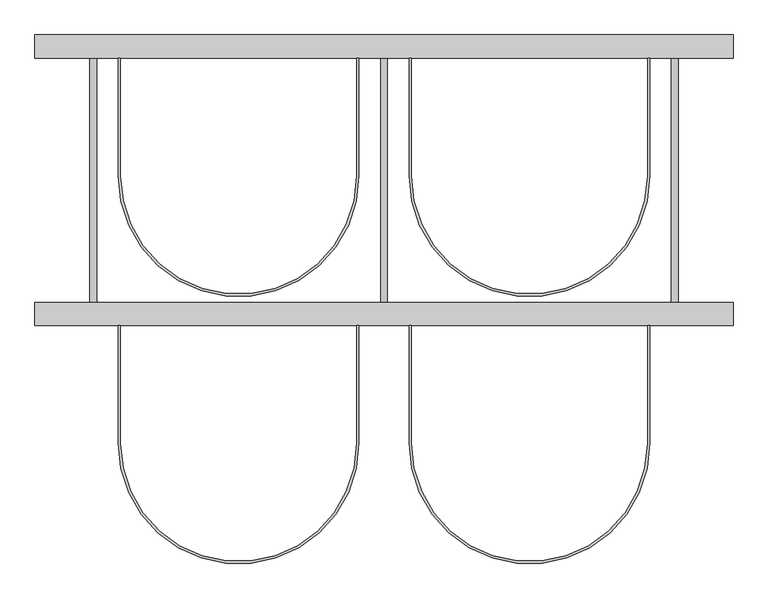
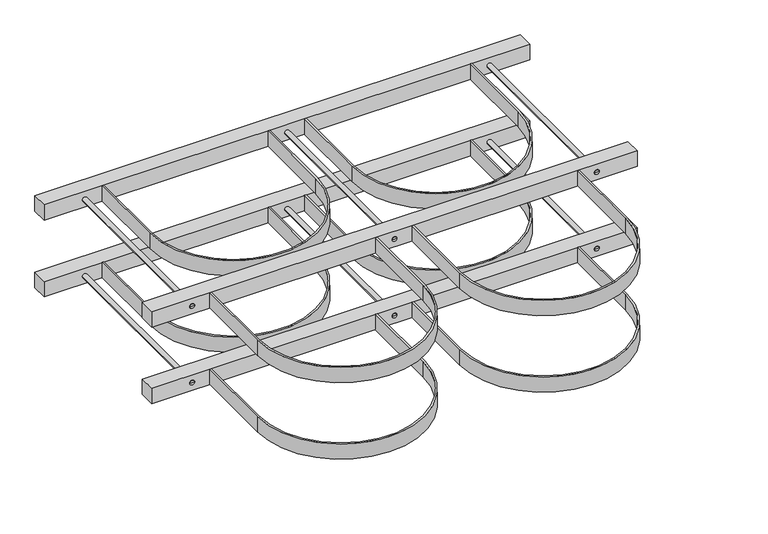
"""IFC4 building model written with IfcOpenShell, lengths in millimetres: proxy geometry."""

import ifcopenshell
import ifcopenshell.guid

model = None  # the IFC model being written
_history = None  # IfcOwnerHistory: only IFC2X3 demands one
_inside = {}  # id of a spatial element -> (the spatial element, [elements in it])
_under = {}  # id of a project, library or spatial element -> (it, [spatial elements below it])
_declared = {}  # id of a project -> (the project, [libraries it declares])
_typed = {}  # id of a type object -> (the type object, [elements of that type])
_made_of = {}  # id of a material, layer set ... -> (it, [elements and type objects made of it])


def new_model(schema):
    """Start an empty IFC model of exactly this schema.

    Asked for "IFC4X3", IfcOpenShell would pick the latest addendum, in which some entities
    have other attributes; the version numbers below select the first issue.
    IFC2X3 requires an IfcOwnerHistory on every rooted entity: one is made here for all.
    """
    global model, _history
    if schema == "IFC4X3":
        model = ifcopenshell.file(schema_version=(4, 3, 0, 0))
    else:
        model = ifcopenshell.file(schema=schema)
    _inside.clear()
    _under.clear()
    _declared.clear()
    _typed.clear()
    _made_of.clear()
    _history = None
    if model.schema == "IFC2X3":
        org = make("IfcOrganization", Name="unknown")
        user = make(
            "IfcPersonAndOrganization",
            ThePerson=make("IfcPerson", FamilyName="unknown"),
            TheOrganization=org,
        )
        app = make(
            "IfcApplication",
            ApplicationDeveloper=org,
            Version="unknown",
            ApplicationFullName="unknown",
            ApplicationIdentifier="unknown",
        )
        _history = make(
            "IfcOwnerHistory",
            OwningUser=user,
            OwningApplication=app,
            ChangeAction="ADDED",
            CreationDate=0,
        )
    return model


def make(cls, **values):
    """One entity of the class cls with the attributes given. An attribute that is None is left unset."""
    return model.create_entity(
        cls, **{name: value for name, value in values.items() if value is not None}
    )


def rooted(cls, **values):
    """An entity with a GlobalId (a new one), such as an element, a storey or a relation."""
    return make(cls, GlobalId=ifcopenshell.guid.new(), OwnerHistory=_history, **values)


def si_unit(unit_type, name, prefix=None):
    """IfcSIUnit, for example si_unit("LENGTHUNIT", "METRE", prefix="MILLI")."""
    return make("IfcSIUnit", UnitType=unit_type, Prefix=prefix, Name=name)


def assignment(units):
    """IfcUnitAssignment: the units of a project."""
    return None if units is None else make("IfcUnitAssignment", Units=units)


def point(xyz):
    """IfcCartesianPoint."""
    return None if xyz is None else make("IfcCartesianPoint", Coordinates=xyz)


def direction(xyz):
    """IfcDirection."""
    return None if xyz is None else make("IfcDirection", DirectionRatios=xyz)


def frame(location, z_axis=None, x_axis=None):
    """IfcAxis2Placement3D, a coordinate frame: its origin and axes. An axis left out is left unset."""
    return make(
        "IfcAxis2Placement3D",
        Location=point(location),
        Axis=direction(z_axis),
        RefDirection=direction(x_axis),
    )


def frame_2d(location, x_axis=None):
    """IfcAxis2Placement2D, a coordinate frame in the plane: its origin and x axis."""
    return make(
        "IfcAxis2Placement2D", Location=point(location), RefDirection=direction(x_axis)
    )


def origin():
    """The frame at (0, 0, 0) with its axes left unset."""
    return frame((0.0, 0.0, 0.0))


def origin_2d():
    """The frame at (0, 0) in the plane with its x axis left unset."""
    return frame_2d((0.0, 0.0))


def place(relative_to, where):
    """IfcLocalPlacement: puts the frame where relative to a parent placement (None: the world)."""
    return make(
        "IfcLocalPlacement", PlacementRelTo=relative_to, RelativePlacement=where
    )


def context(
    kind, dimensions, precision=None, world=None, true_north=None, identifier=None
):
    """IfcGeometricRepresentationContext, for example the 3D "Model" context."""
    return make(
        "IfcGeometricRepresentationContext",
        ContextIdentifier=identifier,
        ContextType=kind,
        CoordinateSpaceDimension=dimensions,
        Precision=precision,
        WorldCoordinateSystem=world,
        TrueNorth=true_north,
    )


def project(units=None, contexts=None):
    """IfcProject with its units and contexts."""
    return rooted(
        "IfcProject",
        Name="project",
        RepresentationContexts=contexts,
        UnitsInContext=assignment(units),
    )


def spatial(cls, under=None, at=None, **own):
    """A site, building, storey or space (cls), placed at a placement, below another one or the project."""
    s = rooted(cls, ObjectPlacement=at, **own)
    if under is not None:
        _under.setdefault(under.id(), (under, []))[1].append(s)
    return s


def polyline(points):
    """IfcPolyline through the points."""
    return make("IfcPolyline", Points=[point(p) for p in points])


def circle_curve(where, radius):
    """IfcCircle in the frame where."""
    return make("IfcCircle", Position=where, Radius=radius)


def trimmed(basis, trim1, trim2, sense, master):
    """IfcTrimmedCurve: the piece of a basis curve between two trims."""
    return make(
        "IfcTrimmedCurve",
        BasisCurve=basis,
        Trim1=trim1,
        Trim2=trim2,
        SenseAgreement=sense,
        MasterRepresentation=master,
    )


def segment(curve, same_sense, transition):
    """IfcCompositeCurveSegment."""
    return make(
        "IfcCompositeCurveSegment",
        Transition=transition,
        SameSense=same_sense,
        ParentCurve=curve,
    )


def composite_curve(segments, self_intersect=None):
    """IfcCompositeCurve: segments joined end to end."""
    return make("IfcCompositeCurve", Segments=segments, SelfIntersect=self_intersect)


def outline(outer, holes=None, kind="AREA"):
    """IfcArbitraryClosedProfileDef: a profile drawn as a closed curve; with holes, ...WithVoids."""
    if holes is None:
        return make("IfcArbitraryClosedProfileDef", ProfileType=kind, OuterCurve=outer)
    return make(
        "IfcArbitraryProfileDefWithVoids",
        ProfileType=kind,
        OuterCurve=outer,
        InnerCurves=holes,
    )


def extrude(swept, where, along, depth):
    """IfcExtrudedAreaSolid: the profile swept, set in the frame where, extruded along a direction by depth."""
    return make(
        "IfcExtrudedAreaSolid",
        SweptArea=swept,
        Position=where,
        ExtrudedDirection=direction(along),
        Depth=depth,
    )


def shape(context_of_items, identifier, shape_type, items):
    """IfcShapeRepresentation: the items that make up one representation, for example the "Body"."""
    return make(
        "IfcShapeRepresentation",
        ContextOfItems=context_of_items,
        RepresentationIdentifier=identifier,
        RepresentationType=shape_type,
        Items=items,
    )


def source(mapping_origin, context_of_items, identifier, shape_type, items):
    """IfcRepresentationMap: a shape defined once, which mapped items show again and again."""
    return make(
        "IfcRepresentationMap",
        MappingOrigin=mapping_origin,
        MappedRepresentation=shape(context_of_items, identifier, shape_type, items),
    )


def transform(
    local_origin,
    x_axis=None,
    y_axis=None,
    z_axis=None,
    scale=None,
    scale2=None,
    scale3=None,
    uniform=True,
):
    """IfcCartesianTransformationOperator3D, or its non-uniform kind. x_axis, y_axis, z_axis: its Axis1, 2, 3."""
    if uniform:
        return make(
            "IfcCartesianTransformationOperator3D",
            Axis1=direction(x_axis),
            Axis2=direction(y_axis),
            LocalOrigin=point(local_origin),
            Scale=scale,
            Axis3=direction(z_axis),
        )
    return make(
        "IfcCartesianTransformationOperator3DnonUniform",
        Axis1=direction(x_axis),
        Axis2=direction(y_axis),
        LocalOrigin=point(local_origin),
        Scale=scale,
        Axis3=direction(z_axis),
        Scale2=scale2,
        Scale3=scale3,
    )


def mapped(mapping_source, mapping_target):
    """IfcMappedItem: shows the shape of a source again, moved by a transform."""
    return make(
        "IfcMappedItem", MappingSource=mapping_source, MappingTarget=mapping_target
    )


def made_of(thing, what):
    """Note that an element or type object is made of a material, layer set ...; save() writes the relation."""
    if what is not None:
        _made_of.setdefault(what.id(), (what, []))[1].append(thing)
    return thing


def element(
    cls,
    number,
    at=None,
    inside=None,
    cuts=None,
    type_object=None,
    material=None,
    context=None,
    identifier="Body",
    shape_type=None,
    held_by="IfcProductDefinitionShape",
    body=None,
    shapes=None,
    **own,
):
    """One element of the class cls, such as IfcWall. Its Tag is "e" and its number.

    at: its placement. inside: the storey or other place that contains it. cuts: it is an
    opening in that element (IfcRelVoidsElement). A single representation is given by context,
    identifier, shape_type and body (its items); several are given by shapes. held_by: the class
    of the entity that holds the representations. save() writes the other relations.
    """
    e = rooted(cls, Tag="e%d" % number, ObjectPlacement=at, **own)
    if body is not None:
        shapes = [shape(context, identifier, shape_type, body)]
    if shapes is not None:
        e.Representation = make(held_by, Representations=shapes)
    if inside is not None:
        _inside.setdefault(inside.id(), (inside, []))[1].append(e)
    if cuts is not None:
        rooted(
            "IfcRelVoidsElement", RelatingBuildingElement=cuts, RelatedOpeningElement=e
        )
    if type_object is not None:
        _typed.setdefault(type_object.id(), (type_object, []))[1].append(e)
    return made_of(e, material)


def aggregate(whole, parts):
    """IfcRelAggregates: a whole, such as a stair, and the parts it consists of."""
    return rooted("IfcRelAggregates", RelatingObject=whole, RelatedObjects=parts)


def save(model, path):
    """Write the relations noted so far, then the file.

    IfcRelAggregates (storeys below a building ...), IfcRelContainedInSpatialStructure (elements
    in a storey), IfcRelDefinesByType, IfcRelAssociatesMaterial and IfcRelDeclares: one each for
    every whole, place, type object, material and project.
    """
    for whole, parts in _under.values():
        aggregate(whole, parts)
    for where, things in _inside.values():
        rooted(
            "IfcRelContainedInSpatialStructure",
            RelatedElements=things,
            RelatingStructure=where,
        )
    for kind, things in _typed.values():
        rooted("IfcRelDefinesByType", RelatedObjects=things, RelatingType=kind)
    for what, things in _made_of.values():
        rooted("IfcRelAssociatesMaterial", RelatedObjects=things, RelatingMaterial=what)
    for by, libraries in _declared.values():
        rooted("IfcRelDeclares", RelatingContext=by, RelatedDefinitions=libraries)
    model.write(path)


def plane_surface(at):
    """IfcPlane: the flat surface through the origin of the frame at, square to its z axis."""
    return make("IfcPlane", Position=at)


def cylinder_surface(at, radius):
    """IfcCylindricalSurface: all points at the distance radius from the z axis of the frame at."""
    return make("IfcCylindricalSurface", Position=at, Radius=radius)


def advanced_brep(points, edges, surfaces, faces):
    """IfcAdvancedBrep: a solid bounded by faces that lie on surfaces and meet in shared edges.

    An edge is (start, end): straight between two places in points (the first is 0);
    or (start, end, curve); or (start, end, curve, False) where it runs against its curve.
    A face is (place in surfaces, loops), or (place, loops, False) where it looks against
    its surface's normal. A loop lists edges by number (the first is 1), with a minus sign
    where the edge is run from its end to its start. The first loop is the outer one.
    """
    corners = [point(p) for p in points]
    vertices = [make("IfcVertexPoint", VertexGeometry=c) for c in corners]
    made = []
    for start, end, *more in edges:
        made.append(
            make(
                "IfcEdgeCurve",
                EdgeStart=vertices[start],
                EdgeEnd=vertices[end],
                EdgeGeometry=more[0] if more else make("IfcPolyline", Points=[corners[start], corners[end]]),
                SameSense=more[1] if len(more) > 1 else True,
            )
        )
    hull = []
    for where, loops, *sense in faces:
        bounds = []
        for j, loop in enumerate(loops):
            ring = [make("IfcOrientedEdge", EdgeElement=made[abs(k) - 1], Orientation=k > 0) for k in loop]
            bounds.append(
                make(
                    "IfcFaceOuterBound" if j == 0 else "IfcFaceBound",
                    Bound=make("IfcEdgeLoop", EdgeList=ring),
                    Orientation=True,
                )
            )
        hull.append(make("IfcAdvancedFace", Bounds=bounds, FaceSurface=surfaces[where], SameSense=sense[0] if sense else True))
    return make("IfcAdvancedBrep", Outer=make("IfcClosedShell", CfsFaces=hull))


def specialty_equipment_cf40ff8f(model_context):
    return source(origin(), model_context, "Body", "SolidModel", [
        extrude(outline(composite_curve([segment(polyline([(297.0, -257.0), (297.0, -460.0)]), True, "CONTINUOUS"), segment(trimmed(circle_curve(frame_2d((500.0, -460.0)), 203.0), [point((297.0, -460.0))], [point((703.0, -460.0))], True, "CARTESIAN"), True, "CONTINUOUS"), segment(polyline([(703.0, -460.0), (703.0, -257.0), (707.0, -257.0), (707.0, -460.0)]), True, "CONTINUOUS"), segment(trimmed(circle_curve(frame_2d((500.0, -460.0)), 207.0), [point((707.0, -460.0))], [point((293.0, -460.0))], False, "CARTESIAN"), True, "CONTINUOUS"), segment(polyline([(293.0, -460.0), (293.0, -257.0), (297.0, -257.0)]), True, "CONTINUOUS")], self_intersect=False)), frame((0.0, 0.0, 180.0), z_axis=(0.0, 0.0, 1.0), x_axis=(1.0, 0.0, 0.0)), (0.0, 0.0, 1.0), 40.0),
        advanced_brep(
        [(756.0, -257.0, 200.0), (744.0, -257.0, 200.0), (744.0, 203.0, 200.0), (756.0, 203.0, 200.0), (750.0, -257.0, 200.0), (750.0, 203.0, 200.0)],
        [
            (0, 1, circle_curve(frame((750.0, -257.0, 200.0), z_axis=(0.0, 1.0, 0.0), x_axis=(-1.0, 0.0, 0.0)), 6.0)),
            (1, 2),
            (2, 3, circle_curve(frame((750.0, 203.0, 200.0), z_axis=(0.0, -1.0, 0.0), x_axis=(-1.0, 0.0, 0.0)), 6.0)),
            (3, 0),
            (1, 0, circle_curve(frame((750.0, -257.0, 200.0), z_axis=(0.0, 1.0, 0.0), x_axis=(-1.0, 0.0, 0.0)), 6.0)),
            (3, 2, circle_curve(frame((750.0, 203.0, 200.0), z_axis=(0.0, -1.0, 0.0), x_axis=(-1.0, 0.0, 0.0)), 6.0)),
            (4, 1),
            (0, 4),
            (2, 5),
            (5, 3),
        ],
        [
            cylinder_surface(frame((750.0, 1727.0, 200.0), z_axis=(0.0, -1.0, 0.0), x_axis=(-1.0, 0.0, 0.0)), 6.0),
            plane_surface(frame((750.0, -257.0, 200.0), z_axis=(0.0, -1.0, 0.0), x_axis=(-1.0, 0.0, 0.0))),
            plane_surface(frame((750.0, 203.0, 200.0), z_axis=(0.0, 1.0, 0.0), x_axis=(-1.0, 0.0, 0.0))),
        ],
        [
            (0, [[1, 2, 3, 4]]),
            (0, [[5, -4, 6, -2]]),
            (1, [[7, -1, 8]]),
            (1, [[-8, -5, -7]]),
            (2, [[-3, 9, 10]]),
            (2, [[-6, -10, -9]]),
        ],
    ),
        advanced_brep(
        [(256.0, -257.0, 200.0), (244.0, -257.0, 200.0), (244.0, 203.0, 200.0), (256.0, 203.0, 200.0), (250.0, -257.0, 200.0), (250.0, 203.0, 200.0)],
        [
            (0, 1, circle_curve(frame((250.0, -257.0, 200.0), z_axis=(0.0, 1.0, 0.0), x_axis=(-1.0, 0.0, 0.0)), 6.0)),
            (1, 2),
            (2, 3, circle_curve(frame((250.0, 203.0, 200.0), z_axis=(0.0, -1.0, 0.0), x_axis=(-1.0, 0.0, 0.0)), 6.0)),
            (3, 0),
            (1, 0, circle_curve(frame((250.0, -257.0, 200.0), z_axis=(0.0, 1.0, 0.0), x_axis=(-1.0, 0.0, 0.0)), 6.0)),
            (3, 2, circle_curve(frame((250.0, 203.0, 200.0), z_axis=(0.0, -1.0, 0.0), x_axis=(-1.0, 0.0, 0.0)), 6.0)),
            (4, 1),
            (0, 4),
            (2, 5),
            (5, 3),
        ],
        [
            cylinder_surface(frame((250.0, 1727.0, 200.0), z_axis=(0.0, -1.0, 0.0), x_axis=(-1.0, 0.0, 0.0)), 6.0),
            plane_surface(frame((250.0, -257.0, 200.0), z_axis=(0.0, -1.0, 0.0), x_axis=(-1.0, 0.0, 0.0))),
            plane_surface(frame((250.0, 203.0, 200.0), z_axis=(0.0, 1.0, 0.0), x_axis=(-1.0, 0.0, 0.0))),
        ],
        [
            (0, [[1, 2, 3, 4]]),
            (0, [[5, -4, 6, -2]]),
            (1, [[7, -1, 8]]),
            (1, [[-8, -5, -7]]),
            (2, [[-3, 9, 10]]),
            (2, [[-6, -10, -9]]),
        ],
    ),
        extrude(outline(composite_curve([segment(polyline([(-203.0, -257.0), (-203.0, -460.0)]), True, "CONTINUOUS"), segment(trimmed(circle_curve(frame_2d((0.0, -460.0)), 203.0), [point((-203.0, -460.0))], [point((203.0, -460.0))], True, "CARTESIAN"), True, "CONTINUOUS"), segment(polyline([(203.0, -460.0), (203.0, -257.0), (207.0, -257.0), (207.0, -460.0)]), True, "CONTINUOUS"), segment(trimmed(circle_curve(frame_2d((0.0, -460.0)), 207.0), [point((207.0, -460.0))], [point((-207.0, -460.0))], False, "CARTESIAN"), True, "CONTINUOUS"), segment(polyline([(-207.0, -460.0), (-207.0, -257.0), (-203.0, -257.0)]), True, "CONTINUOUS")], self_intersect=False)), frame((0.0, 0.0, 180.0), z_axis=(0.0, 0.0, 1.0), x_axis=(1.0, 0.0, 0.0)), (0.0, 0.0, 1.0), 40.0),
        advanced_brep(
        [(-244.0, -257.0, 200.0), (-256.0, -257.0, 200.0), (-256.0, 203.0, 200.0), (-244.0, 203.0, 200.0), (-250.0, -257.0, 200.0), (-250.0, 203.0, 200.0)],
        [
            (0, 1, circle_curve(frame((-250.0, -257.0, 200.0), z_axis=(0.0, 1.0, 0.0), x_axis=(-1.0, 0.0, 0.0)), 6.0)),
            (1, 2),
            (2, 3, circle_curve(frame((-250.0, 203.0, 200.0), z_axis=(0.0, -1.0, 0.0), x_axis=(-1.0, 0.0, 0.0)), 6.0)),
            (3, 0),
            (1, 0, circle_curve(frame((-250.0, -257.0, 200.0), z_axis=(0.0, 1.0, 0.0), x_axis=(-1.0, 0.0, 0.0)), 6.0)),
            (3, 2, circle_curve(frame((-250.0, 203.0, 200.0), z_axis=(0.0, -1.0, 0.0), x_axis=(-1.0, 0.0, 0.0)), 6.0)),
            (4, 1),
            (0, 4),
            (2, 5),
            (5, 3),
        ],
        [
            cylinder_surface(frame((-250.0, 1727.0, 200.0), z_axis=(0.0, -1.0, 0.0), x_axis=(-1.0, 0.0, 0.0)), 6.0),
            plane_surface(frame((-250.0, -257.0, 200.0), z_axis=(0.0, -1.0, 0.0), x_axis=(-1.0, 0.0, 0.0))),
            plane_surface(frame((-250.0, 203.0, 200.0), z_axis=(0.0, 1.0, 0.0), x_axis=(-1.0, 0.0, 0.0))),
        ],
        [
            (0, [[1, 2, 3, 4]]),
            (0, [[5, -4, 6, -2]]),
            (1, [[7, -1, 8]]),
            (1, [[-8, -5, -7]]),
            (2, [[-3, 9, 10]]),
            (2, [[-6, -10, -9]]),
        ],
    ),
        extrude(outline(composite_curve([segment(polyline([(297.0, 203.0), (297.0, 0.0)]), True, "CONTINUOUS"), segment(trimmed(circle_curve(frame_2d((500.0, 0.0)), 203.0), [point((297.0, 0.0))], [point((703.0, 0.0))], True, "CARTESIAN"), True, "CONTINUOUS"), segment(polyline([(703.0, 0.0), (703.0, 203.0), (707.0, 203.0), (707.0, 0.0)]), True, "CONTINUOUS"), segment(trimmed(circle_curve(frame_2d((500.0, 0.0)), 207.0), [point((707.0, 0.0))], [point((293.0, 0.0))], False, "CARTESIAN"), True, "CONTINUOUS"), segment(polyline([(293.0, 0.0), (293.0, 203.0), (297.0, 203.0)]), True, "CONTINUOUS")], self_intersect=False)), frame((0.0, 0.0, 180.0), z_axis=(0.0, 0.0, 1.0), x_axis=(1.0, 0.0, 0.0)), (0.0, 0.0, 1.0), 40.0),
        extrude(outline(composite_curve([segment(polyline([(-203.0, 203.0), (-203.0, 0.0)]), True, "CONTINUOUS"), segment(trimmed(circle_curve(origin_2d(), 203.0), [point((-203.0, 0.0))], [point((203.0, 0.0))], True, "CARTESIAN"), True, "CONTINUOUS"), segment(polyline([(203.0, 0.0), (203.0, 203.0), (207.0, 203.0), (207.0, 0.0)]), True, "CONTINUOUS"), segment(trimmed(circle_curve(origin_2d(), 207.0), [point((207.0, 0.0))], [point((-207.0, 0.0))], False, "CARTESIAN"), True, "CONTINUOUS"), segment(polyline([(-207.0, 0.0), (-207.0, 203.0), (-203.0, 203.0)]), True, "CONTINUOUS")], self_intersect=False)), frame((0.0, 0.0, 180.0), z_axis=(0.0, 0.0, 1.0), x_axis=(1.0, 0.0, 0.0)), (0.0, 0.0, 1.0), 40.0),
        extrude(outline(polyline([(850.0, -257.0), (-350.0, -257.0), (-350.0, -217.0), (850.0, -217.0), (850.0, -257.0)])), frame((0.0, 0.0, 180.0), z_axis=(0.0, 0.0, 1.0), x_axis=(1.0, 0.0, 0.0)), (0.0, 0.0, 1.0), 40.0),
        extrude(outline(polyline([(850.0, 203.0), (-350.0, 203.0), (-350.0, 243.0), (850.0, 243.0), (850.0, 203.0)])), frame((0.0, 0.0, 180.0), z_axis=(0.0, 0.0, 1.0), x_axis=(1.0, 0.0, 0.0)), (0.0, 0.0, 1.0), 40.0),
        extrude(outline(composite_curve([segment(polyline([(297.0, -257.0), (297.0, -460.0)]), True, "CONTINUOUS"), segment(trimmed(circle_curve(frame_2d((500.0, -460.0)), 203.0), [point((297.0, -460.0))], [point((703.0, -460.0))], True, "CARTESIAN"), True, "CONTINUOUS"), segment(polyline([(703.0, -460.0), (703.0, -257.0), (707.0, -257.0), (707.0, -460.0)]), True, "CONTINUOUS"), segment(trimmed(circle_curve(frame_2d((500.0, -460.0)), 207.0), [point((707.0, -460.0))], [point((293.0, -460.0))], False, "CARTESIAN"), True, "CONTINUOUS"), segment(polyline([(293.0, -460.0), (293.0, -257.0), (297.0, -257.0)]), True, "CONTINUOUS")], self_intersect=False)), frame((0.0, 0.0, -20.0), z_axis=(0.0, 0.0, 1.0), x_axis=(1.0, 0.0, 0.0)), (0.0, 0.0, 1.0), 40.0),
        advanced_brep(
        [(756.0, -257.0, 0.0), (744.0, -257.0, 0.0), (744.0, 203.0, 0.0), (756.0, 203.0, 0.0), (750.0, -257.0, 0.0), (750.0, 203.0, 0.0)],
        [
            (0, 1, circle_curve(frame((750.0, -257.0, 0.0), z_axis=(0.0, 1.0, 0.0), x_axis=(-1.0, 0.0, 0.0)), 6.0)),
            (1, 2),
            (2, 3, circle_curve(frame((750.0, 203.0, 0.0), z_axis=(0.0, -1.0, 0.0), x_axis=(-1.0, 0.0, 0.0)), 6.0)),
            (3, 0),
            (1, 0, circle_curve(frame((750.0, -257.0, 0.0), z_axis=(0.0, 1.0, 0.0), x_axis=(-1.0, 0.0, 0.0)), 6.0)),
            (3, 2, circle_curve(frame((750.0, 203.0, 0.0), z_axis=(0.0, -1.0, 0.0), x_axis=(-1.0, 0.0, 0.0)), 6.0)),
            (4, 1),
            (0, 4),
            (2, 5),
            (5, 3),
        ],
        [
            cylinder_surface(frame((750.0, 1727.0, 0.0), z_axis=(0.0, -1.0, 0.0), x_axis=(-1.0, 0.0, 0.0)), 6.0),
            plane_surface(frame((750.0, -257.0, 0.0), z_axis=(0.0, -1.0, 0.0), x_axis=(-1.0, 0.0, 0.0))),
            plane_surface(frame((750.0, 203.0, 0.0), z_axis=(0.0, 1.0, 0.0), x_axis=(-1.0, 0.0, 0.0))),
        ],
        [
            (0, [[1, 2, 3, 4]]),
            (0, [[5, -4, 6, -2]]),
            (1, [[7, -1, 8]]),
            (1, [[-8, -5, -7]]),
            (2, [[-3, 9, 10]]),
            (2, [[-6, -10, -9]]),
        ],
    ),
        advanced_brep(
        [(256.0, -257.0, 0.0), (244.0, -257.0, 0.0), (244.0, 203.0, 0.0), (256.0, 203.0, 0.0), (250.0, -257.0, 0.0), (250.0, 203.0, 0.0)],
        [
            (0, 1, circle_curve(frame((250.0, -257.0, 0.0), z_axis=(0.0, 1.0, 0.0), x_axis=(-1.0, 0.0, 0.0)), 6.0)),
            (1, 2),
            (2, 3, circle_curve(frame((250.0, 203.0, 0.0), z_axis=(0.0, -1.0, 0.0), x_axis=(-1.0, 0.0, 0.0)), 6.0)),
            (3, 0),
            (1, 0, circle_curve(frame((250.0, -257.0, 0.0), z_axis=(0.0, 1.0, 0.0), x_axis=(-1.0, 0.0, 0.0)), 6.0)),
            (3, 2, circle_curve(frame((250.0, 203.0, 0.0), z_axis=(0.0, -1.0, 0.0), x_axis=(-1.0, 0.0, 0.0)), 6.0)),
            (4, 1),
            (0, 4),
            (2, 5),
            (5, 3),
        ],
        [
            cylinder_surface(frame((250.0, 1727.0, 0.0), z_axis=(0.0, -1.0, 0.0), x_axis=(-1.0, 0.0, 0.0)), 6.0),
            plane_surface(frame((250.0, -257.0, 0.0), z_axis=(0.0, -1.0, 0.0), x_axis=(-1.0, 0.0, 0.0))),
            plane_surface(frame((250.0, 203.0, 0.0), z_axis=(0.0, 1.0, 0.0), x_axis=(-1.0, 0.0, 0.0))),
        ],
        [
            (0, [[1, 2, 3, 4]]),
            (0, [[5, -4, 6, -2]]),
            (1, [[7, -1, 8]]),
            (1, [[-8, -5, -7]]),
            (2, [[-3, 9, 10]]),
            (2, [[-6, -10, -9]]),
        ],
    ),
        extrude(outline(composite_curve([segment(polyline([(-203.0, -257.0), (-203.0, -460.0)]), True, "CONTINUOUS"), segment(trimmed(circle_curve(frame_2d((0.0, -460.0)), 203.0), [point((-203.0, -460.0))], [point((203.0, -460.0))], True, "CARTESIAN"), True, "CONTINUOUS"), segment(polyline([(203.0, -460.0), (203.0, -257.0), (207.0, -257.0), (207.0, -460.0)]), True, "CONTINUOUS"), segment(trimmed(circle_curve(frame_2d((0.0, -460.0)), 207.0), [point((207.0, -460.0))], [point((-207.0, -460.0))], False, "CARTESIAN"), True, "CONTINUOUS"), segment(polyline([(-207.0, -460.0), (-207.0, -257.0), (-203.0, -257.0)]), True, "CONTINUOUS")], self_intersect=False)), frame((0.0, 0.0, -20.0), z_axis=(0.0, 0.0, 1.0), x_axis=(1.0, 0.0, 0.0)), (0.0, 0.0, 1.0), 40.0),
        advanced_brep(
        [(-244.0, -257.0, 0.0), (-256.0, -257.0, 0.0), (-256.0, 203.0, 0.0), (-244.0, 203.0, 0.0), (-250.0, -257.0, 0.0), (-250.0, 203.0, 0.0)],
        [
            (0, 1, circle_curve(frame((-250.0, -257.0, 0.0), z_axis=(0.0, 1.0, 0.0), x_axis=(-1.0, 0.0, 0.0)), 6.0)),
            (1, 2),
            (2, 3, circle_curve(frame((-250.0, 203.0, 0.0), z_axis=(0.0, -1.0, 0.0), x_axis=(-1.0, 0.0, 0.0)), 6.0)),
            (3, 0),
            (1, 0, circle_curve(frame((-250.0, -257.0, 0.0), z_axis=(0.0, 1.0, 0.0), x_axis=(-1.0, 0.0, 0.0)), 6.0)),
            (3, 2, circle_curve(frame((-250.0, 203.0, 0.0), z_axis=(0.0, -1.0, 0.0), x_axis=(-1.0, 0.0, 0.0)), 6.0)),
            (4, 1),
            (0, 4),
            (2, 5),
            (5, 3),
        ],
        [
            cylinder_surface(frame((-250.0, 1727.0, 0.0), z_axis=(0.0, -1.0, 0.0), x_axis=(-1.0, 0.0, 0.0)), 6.0),
            plane_surface(frame((-250.0, -257.0, 0.0), z_axis=(0.0, -1.0, 0.0), x_axis=(-1.0, 0.0, 0.0))),
            plane_surface(frame((-250.0, 203.0, 0.0), z_axis=(0.0, 1.0, 0.0), x_axis=(-1.0, 0.0, 0.0))),
        ],
        [
            (0, [[1, 2, 3, 4]]),
            (0, [[5, -4, 6, -2]]),
            (1, [[7, -1, 8]]),
            (1, [[-8, -5, -7]]),
            (2, [[-3, 9, 10]]),
            (2, [[-6, -10, -9]]),
        ],
    ),
        extrude(outline(composite_curve([segment(polyline([(297.0, 203.0), (297.0, 0.0)]), True, "CONTINUOUS"), segment(trimmed(circle_curve(frame_2d((500.0, 0.0)), 203.0), [point((297.0, 0.0))], [point((703.0, 0.0))], True, "CARTESIAN"), True, "CONTINUOUS"), segment(polyline([(703.0, 0.0), (703.0, 203.0), (707.0, 203.0), (707.0, 0.0)]), True, "CONTINUOUS"), segment(trimmed(circle_curve(frame_2d((500.0, 0.0)), 207.0), [point((707.0, 0.0))], [point((293.0, 0.0))], False, "CARTESIAN"), True, "CONTINUOUS"), segment(polyline([(293.0, 0.0), (293.0, 203.0), (297.0, 203.0)]), True, "CONTINUOUS")], self_intersect=False)), frame((0.0, 0.0, -20.0), z_axis=(0.0, 0.0, 1.0), x_axis=(1.0, 0.0, 0.0)), (0.0, 0.0, 1.0), 40.0),
        extrude(outline(composite_curve([segment(polyline([(-203.0, 203.0), (-203.0, 0.0)]), True, "CONTINUOUS"), segment(trimmed(circle_curve(origin_2d(), 203.0), [point((-203.0, 0.0))], [point((203.0, 0.0))], True, "CARTESIAN"), True, "CONTINUOUS"), segment(polyline([(203.0, 0.0), (203.0, 203.0), (207.0, 203.0), (207.0, 0.0)]), True, "CONTINUOUS"), segment(trimmed(circle_curve(origin_2d(), 207.0), [point((207.0, 0.0))], [point((-207.0, 0.0))], False, "CARTESIAN"), True, "CONTINUOUS"), segment(polyline([(-207.0, 0.0), (-207.0, 203.0), (-203.0, 203.0)]), True, "CONTINUOUS")], self_intersect=False)), frame((0.0, 0.0, -20.0), z_axis=(0.0, 0.0, 1.0), x_axis=(1.0, 0.0, 0.0)), (0.0, 0.0, 1.0), 40.0),
        extrude(outline(polyline([(850.0, -257.0), (-350.0, -257.0), (-350.0, -217.0), (850.0, -217.0), (850.0, -257.0)])), frame((0.0, 0.0, -20.0), z_axis=(0.0, 0.0, 1.0), x_axis=(1.0, 0.0, 0.0)), (0.0, 0.0, 1.0), 40.0),
        extrude(outline(polyline([(850.0, 203.0), (-350.0, 203.0), (-350.0, 243.0), (850.0, 243.0), (850.0, 203.0)])), frame((0.0, 0.0, -20.0), z_axis=(0.0, 0.0, 1.0), x_axis=(1.0, 0.0, 0.0)), (0.0, 0.0, 1.0), 40.0),
    ])


if __name__ == "__main__":
    model = new_model("IFC4")
    model_context = context("Model", 3, world=origin())
    ifc_project = project(units=[si_unit("LENGTHUNIT", "METRE", prefix="MILLI")], contexts=[model_context])
    site = spatial("IfcSite", under=ifc_project)
    building = spatial("IfcBuilding", under=site)
    placement = place(None, origin())
    specialty_equipment_shape = specialty_equipment_cf40ff8f(model_context)
    element("IfcBuildingElementProxy", 1, Name="Specialty Equipment", at=placement, inside=building, context=model_context, shape_type="MappedRepresentation", body=[
        mapped(specialty_equipment_shape, transform((0.0, 0.0, 0.0), x_axis=(1.0, 0.0, 0.0), y_axis=(0.0, 1.0, 0.0), z_axis=(0.0, 0.0, 1.0))),
    ])
    save(model, "model.ifc")
